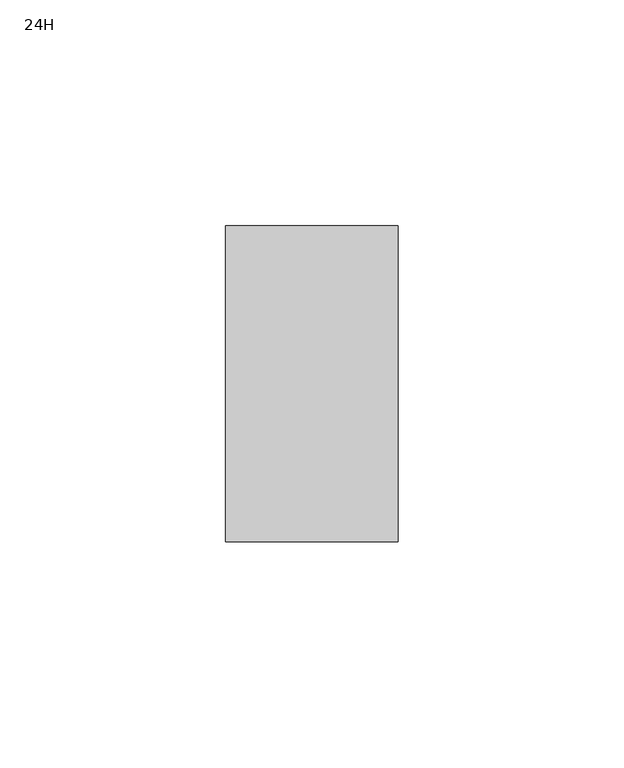
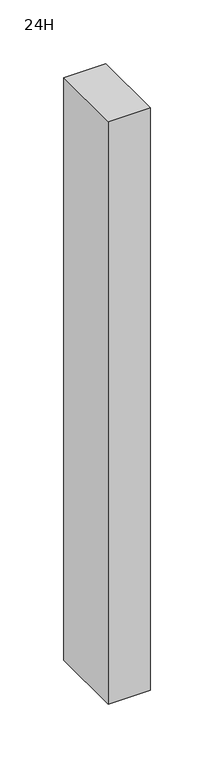
"""IFC4 building model written with IfcOpenShell, lengths in millimetres: furniture geometry, 24H."""

from ifc_helpers import new_model, si_unit, frame, origin, place, context, project, spatial, polyline, outline, extrude, source, transform, mapped, element, save


def furniture_24h_b5de621f(model_context):
    return source(origin(), model_context, "Body", "SweptSolid", [
        extrude(outline(polyline([(-19.05, 25.4), (19.05, 25.4), (19.05, -44.45), (-19.05, -44.45), (-19.05, 25.4)])), frame((0.0, 0.0, 527.1492187), z_axis=(0.0, 0.0, 1.0), x_axis=(1.0, 0.0, 0.0)), (0.0, 0.0, 1.0), 559.196875),
    ])


if __name__ == "__main__":
    model = new_model("IFC4")
    model_context = context("Model", 3, world=origin())
    ifc_project = project(units=[si_unit("LENGTHUNIT", "METRE", prefix="MILLI")], contexts=[model_context])
    site = spatial("IfcSite", under=ifc_project)
    building = spatial("IfcBuilding", under=site)
    placement = place(None, origin())
    furniture_24h_shape = furniture_24h_b5de621f(model_context)
    element("IfcFurniture", 1, ObjectType="24H", at=placement, inside=building, context=model_context, shape_type="MappedRepresentation", body=[
        mapped(furniture_24h_shape, transform((0.0, 0.0, 0.0), x_axis=(1.0, 0.0, 0.0), y_axis=(0.0, 1.0, 0.0), z_axis=(0.0, 0.0, 1.0))),
    ])
    save(model, "model.ifc")
